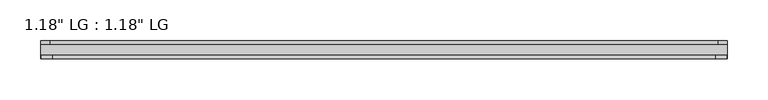
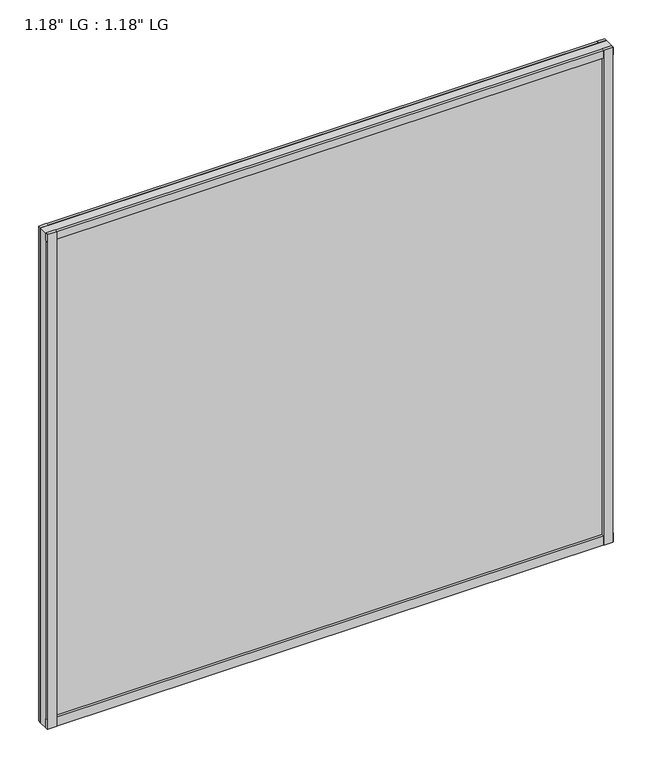
"""IFC4 building model written with IfcOpenShell, lengths in millimetres: plate geometry."""

from ifc_helpers import new_model, si_unit, frame, origin, origin_with_axes, place, context, project, spatial, polyline, outline, extrude, source, transform, mapped, element, save


def plate_7af0b001(model_context):
    return source(origin(), model_context, "Body", "SweptSolid", [
        extrude(outline(polyline([(423.0624, 58.8264), (411.6098034, 58.8264), (411.6098034, 63.5), (423.0624, 63.5), (423.0624, 58.8264)])), origin_with_axes(), (0.0, 0.0, 1.0), 781.9522189),
        extrude(outline(polyline([(408.8430761, 45.212), (422.2467966, 45.212), (422.2467966, 41.021), (408.8430761, 41.021), (408.8430761, 45.212)])), origin_with_axes(), (0.0, 0.0, 1.0), 781.9522189),
        extrude(outline(polyline([(-411.5445913, 63.5), (-411.5445913, 58.8264), (-423.0624, 58.8264), (-423.0624, 63.5), (-411.5445913, 63.5)])), origin_with_axes(), (0.0, 0.0, 1.0), 781.9522189),
        extrude(outline(polyline([(-408.8533512, 45.212), (-408.8533512, 41.021), (-422.2467966, 41.021), (-422.2467966, 45.212), (-408.8533512, 45.212)])), origin_with_axes(), (0.0, 0.0, 1.0), 781.9522189),
        extrude(outline(polyline([(423.0624, 63.5), (423.0624, 58.8264), (-423.0624, 58.8264), (-423.0624, 63.5), (423.0624, 63.5)])), origin_with_axes(), (0.0, 0.0, 1.0), 11.444324),
        extrude(outline(polyline([(423.0624, 45.212), (423.0624, 41.021), (-423.0624, 41.021), (-423.0624, 45.212), (423.0624, 45.212)])), origin_with_axes(), (0.0, 0.0, 1.0), 14.1703966),
        extrude(outline(polyline([(423.0624, 63.5), (423.0624, 58.8264), (-423.0624, 58.8264), (-423.0624, 63.5), (423.0624, 63.5)])), frame((0.0, 0.0, 770.2871162), z_axis=(0.0, 0.0, 1.0), x_axis=(1.0, 0.0, 0.0)), (0.0, 0.0, 1.0), 11.6651026),
        extrude(outline(polyline([(423.0624, 45.212), (423.0624, 41.021), (-423.0624, 41.021), (-423.0624, 45.212), (423.0624, 45.212)])), frame((0.0, 0.0, 770.2871162), z_axis=(0.0, 0.0, 1.0), x_axis=(1.0, 0.0, 0.0)), (0.0, 0.0, 1.0), 11.6651026),
        extrude(outline(polyline([(423.0624, 58.8264), (423.0624, 45.212), (-423.0624, 45.212), (-423.0624, 58.8264), (423.0624, 58.8264)])), origin_with_axes(), (0.0, 0.0, 1.0), 781.9522189),
    ])


if __name__ == "__main__":
    model = new_model("IFC4")
    model_context = context("Model", 3, world=origin())
    ifc_project = project(units=[si_unit("LENGTHUNIT", "METRE", prefix="MILLI")], contexts=[model_context])
    site = spatial("IfcSite", under=ifc_project)
    building = spatial("IfcBuilding", under=site)
    placement = place(None, origin())
    plate_shape = plate_7af0b001(model_context)
    element("IfcPlate", 1, ObjectType="1.18\" LG : 1.18\" LG", at=placement, inside=building, context=model_context, shape_type="MappedRepresentation", body=[
        mapped(plate_shape, transform((0.0, 0.0, 0.0), x_axis=(1.0, 0.0, 0.0), y_axis=(0.0, 1.0, 0.0), z_axis=(0.0, 0.0, 1.0))),
    ])
    save(model, "model.ifc")
